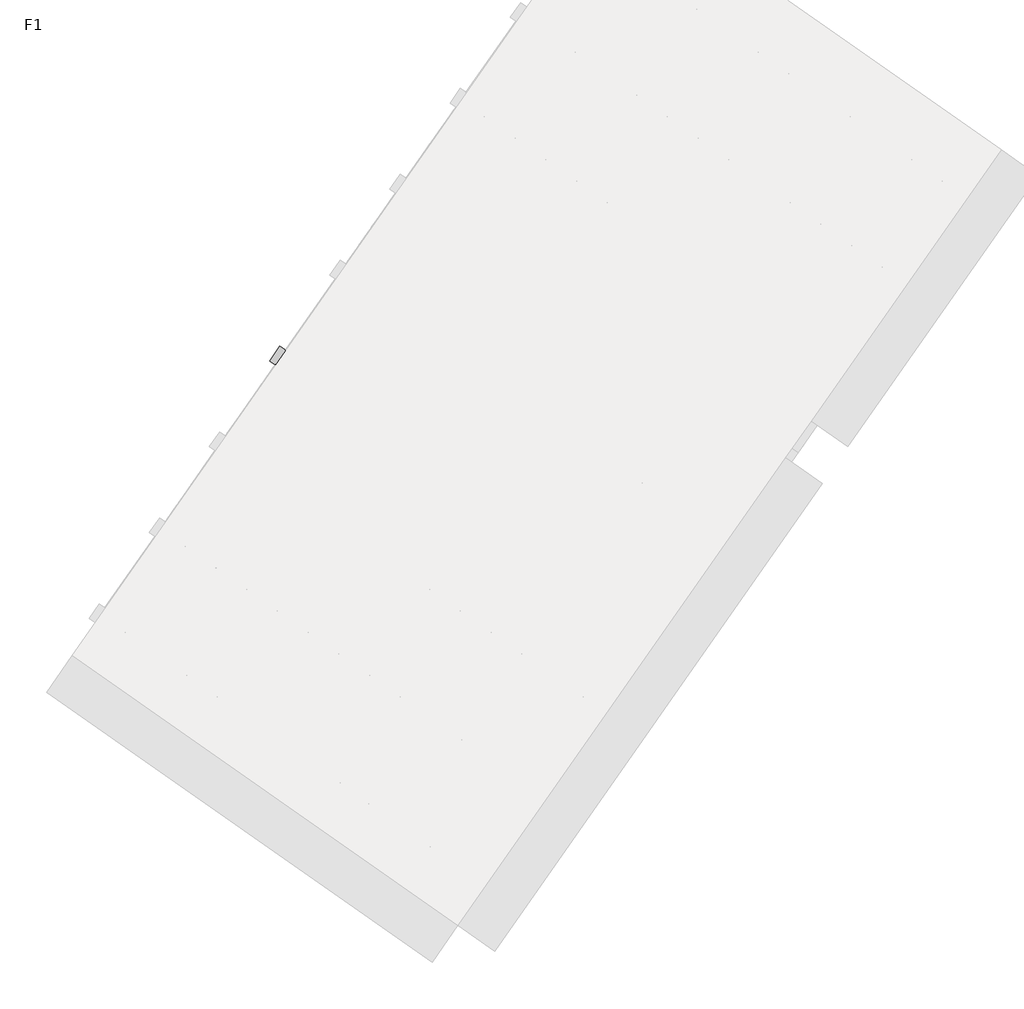
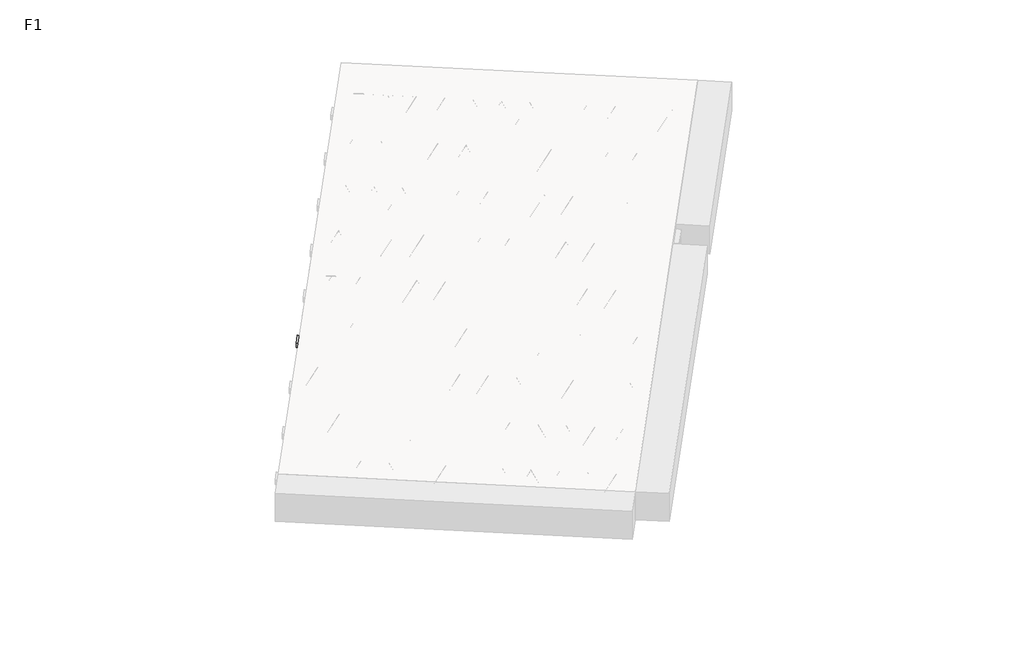
# One storey, part 6 of 30: 2 beams.
"""IFC4 building model written with IfcOpenShell, lengths in millimetres."""

from ifc_helpers import new_model, si_unit, point, frame, origin, origin_2d, place, context, project, spatial, polyline, circle_curve, trimmed, segment, composite_curve, outline, extrude, element, save

model = new_model("IFC4")

# Units and contexts
model_context = context("Model", 3, world=origin())
ifc_project = project(units=[si_unit("LENGTHUNIT", "METRE", prefix="MILLI")], contexts=[model_context])

# Site, building, storey
site = spatial("IfcSite", under=ifc_project)
building = spatial("IfcBuilding", under=site)
storey = spatial("IfcBuildingStorey", under=building, Name="F1", Elevation=99520.0)

# Beams
placement = place(None, origin())
element("IfcBeam", 1, at=placement, inside=storey, context=model_context, shape_type="SweptSolid", body=[
    extrude(outline(polyline([(5224.011649, -2693.1359063), (5292.8408214, -2594.837661), (7946.8934448, -4453.2253149), (7878.0642725, -4551.5235602), (5224.011649, -2693.1359063)])), frame((0.0, 0.0, 99720.0), z_axis=(0.0, 0.0, 1.0), x_axis=(1.0, 0.0, 0.0)), (0.0, 0.0, 1.0), 50.0),
    extrude(outline(composite_curve([segment(trimmed(circle_curve(origin_2d(), 2.5), [point((-2.5, 0.0))], [point((2.5000001, 0.0))], False, "CARTESIAN"), True, "CONTINUOUS"), segment(trimmed(circle_curve(origin_2d(), 2.5), [point((2.5000001, 0.0))], [point((-2.5, 0.0))], False, "CARTESIAN"), True, "CONTINUOUS")], self_intersect=False)), frame((7872.1704579, -4518.0980767, 99745.0), z_axis=(-0.8191520442696126, 0.5735764363787226, 0.0), x_axis=(0.5735764363787226, 0.8191520442696126, 0.0)), (0.0, 0.0, 1.0), 3192.0),
    extrude(outline(composite_curve([segment(trimmed(circle_curve(origin_2d(), 2.5), [point((-2.5, 0.0))], [point((2.5, 0.0))], False, "CARTESIAN"), True, "CONTINUOUS"), segment(trimmed(circle_curve(origin_2d(), 2.5), [point((2.5, 0.0))], [point((-2.5, 0.0))], False, "CARTESIAN"), True, "CONTINUOUS")], self_intersect=False)), frame((7752.74421, -4390.5270324, 99970.0), z_axis=(-0.8191520442696126, 0.5735764363787226, 0.0), x_axis=(0.5735764363787226, 0.8191520442696126, 0.0)), (0.0, 0.0, 1.0), 2850.0),
    extrude(outline(composite_curve([segment(trimmed(circle_curve(origin_2d(), 2.5), [point((-2.5, 0.0))], [point((2.5000001, 0.0))], False, "CARTESIAN"), True, "CONTINUOUS"), segment(trimmed(circle_curve(origin_2d(), 2.5), [point((2.5000001, 0.0))], [point((-2.5, 0.0))], False, "CARTESIAN"), True, "CONTINUOUS")], self_intersect=False)), frame((7793.5318616, -4463.0347388, 99745.0), z_axis=(-0.3145304735701046, 0.38933448886848654, 0.8657304643902053), x_axis=(0.7778747638402499, 0.6284193279813057, 0.0)), (0.0, 0.0, 1.0), 259.8961331),
    extrude(outline(composite_curve([segment(trimmed(circle_curve(origin_2d(), 2.5), [point((2.5, 0.0))], [point((-2.5, 0.0))], False, "CARTESIAN"), True, "CONTINUOUS"), segment(trimmed(circle_curve(origin_2d(), 2.5), [point((-2.5, 0.0))], [point((2.5, 0.0))], False, "CARTESIAN"), True, "CONTINUOUS")], self_intersect=False)), frame((7588.7438506, -4319.6406297, 99745.0), z_axis=(0.47343050384693375, -0.16240172737369005, 0.8657304643902051), x_axis=(-0.3244721671091268, -0.9458952440791246, 0.0)), (0.0, 0.0, 1.0), 259.8961331),
    extrude(outline(composite_curve([segment(trimmed(circle_curve(origin_2d(), 2.5), [point((-2.5, 0.0))], [point((2.5, 1e-07))], False, "CARTESIAN"), True, "CONTINUOUS"), segment(trimmed(circle_curve(origin_2d(), 2.5), [point((2.5, 1e-07))], [point((-2.5, 0.0))], False, "CARTESIAN"), True, "CONTINUOUS")], self_intersect=False)), frame((7588.7438506, -4319.6406297, 99745.0), z_axis=(-0.3145304735701046, 0.38933448886848654, 0.8657304643902053), x_axis=(0.7778747638402499, 0.6284193279813057, 0.0)), (0.0, 0.0, 1.0), 259.8961331),
    extrude(outline(composite_curve([segment(trimmed(circle_curve(origin_2d(), 2.5), [point((2.5, 0.0))], [point((-2.5, 0.0))], False, "CARTESIAN"), True, "CONTINUOUS"), segment(trimmed(circle_curve(origin_2d(), 2.5), [point((-2.5, 0.0))], [point((2.5, 0.0))], False, "CARTESIAN"), True, "CONTINUOUS")], self_intersect=False)), frame((7383.9558395, -4176.2465206, 99745.0), z_axis=(0.47343050384693375, -0.16240172737369005, 0.8657304643902051), x_axis=(-0.3244721671091268, -0.9458952440791246, 0.0)), (0.0, 0.0, 1.0), 259.8961331),
    extrude(outline(composite_curve([segment(trimmed(circle_curve(origin_2d(), 2.5), [point((-2.5, 0.0))], [point((2.5, 0.0))], False, "CARTESIAN"), True, "CONTINUOUS"), segment(trimmed(circle_curve(origin_2d(), 2.5), [point((2.5, 0.0))], [point((-2.5, 0.0))], False, "CARTESIAN"), True, "CONTINUOUS")], self_intersect=False)), frame((7383.9558395, -4176.2465206, 99745.0), z_axis=(-0.3145304735701046, 0.38933448886848654, 0.8657304643902053), x_axis=(0.7778747638402499, 0.6284193279813057, 0.0)), (0.0, 0.0, 1.0), 259.8961331),
    extrude(outline(composite_curve([segment(trimmed(circle_curve(origin_2d(), 2.5), [point((2.5, 0.0))], [point((-2.5, 1e-07))], False, "CARTESIAN"), True, "CONTINUOUS"), segment(trimmed(circle_curve(origin_2d(), 2.5), [point((-2.5, 1e-07))], [point((2.5, 0.0))], False, "CARTESIAN"), True, "CONTINUOUS")], self_intersect=False)), frame((7179.1678284, -4032.8524115, 99745.0), z_axis=(0.47343050384693375, -0.16240172737369005, 0.8657304643902051), x_axis=(-0.3244721671091268, -0.9458952440791246, 0.0)), (0.0, 0.0, 1.0), 259.8961331),
    extrude(outline(composite_curve([segment(trimmed(circle_curve(origin_2d(), 2.5), [point((-2.5, 0.0))], [point((2.5, 0.0))], False, "CARTESIAN"), True, "CONTINUOUS"), segment(trimmed(circle_curve(origin_2d(), 2.5), [point((2.5, 0.0))], [point((-2.5, 0.0))], False, "CARTESIAN"), True, "CONTINUOUS")], self_intersect=False)), frame((7179.1678284, -4032.8524115, 99745.0), z_axis=(-0.3145304735701046, 0.38933448886848654, 0.8657304643902053), x_axis=(0.7778747638402499, 0.6284193279813057, 0.0)), (0.0, 0.0, 1.0), 259.8961331),
    extrude(outline(composite_curve([segment(trimmed(circle_curve(origin_2d(), 2.5), [point((2.5, 0.0))], [point((-2.5, 0.0))], False, "CARTESIAN"), True, "CONTINUOUS"), segment(trimmed(circle_curve(origin_2d(), 2.5), [point((-2.5, 0.0))], [point((2.5, 0.0))], False, "CARTESIAN"), True, "CONTINUOUS")], self_intersect=False)), frame((6974.3798174, -3889.4583024, 99745.0), z_axis=(0.47343050384693375, -0.16240172737369005, 0.8657304643902051), x_axis=(-0.3244721671091268, -0.9458952440791246, 0.0)), (0.0, 0.0, 1.0), 259.8961331),
    extrude(outline(composite_curve([segment(trimmed(circle_curve(origin_2d(), 2.5), [point((-2.5, 0.0))], [point((2.5, 0.0))], False, "CARTESIAN"), True, "CONTINUOUS"), segment(trimmed(circle_curve(origin_2d(), 2.5), [point((2.5, 0.0))], [point((-2.5, 0.0))], False, "CARTESIAN"), True, "CONTINUOUS")], self_intersect=False)), frame((6974.3798174, -3889.4583024, 99745.0), z_axis=(-0.3145304735701046, 0.38933448886848654, 0.8657304643902053), x_axis=(0.7778747638402499, 0.6284193279813057, 0.0)), (0.0, 0.0, 1.0), 259.8961331),
    extrude(outline(composite_curve([segment(trimmed(circle_curve(origin_2d(), 2.5), [point((2.5, 0.0))], [point((-2.5, 0.0))], False, "CARTESIAN"), True, "CONTINUOUS"), segment(trimmed(circle_curve(origin_2d(), 2.5), [point((-2.5, 0.0))], [point((2.5, 0.0))], False, "CARTESIAN"), True, "CONTINUOUS")], self_intersect=False)), frame((6769.5918063, -3746.0641933, 99745.0), z_axis=(0.47343050384693375, -0.16240172737369005, 0.8657304643902051), x_axis=(-0.3244721671091268, -0.9458952440791246, 0.0)), (0.0, 0.0, 1.0), 259.8961331),
    extrude(outline(composite_curve([segment(trimmed(circle_curve(origin_2d(), 2.5), [point((-2.5, 0.0))], [point((2.5, 0.0))], False, "CARTESIAN"), True, "CONTINUOUS"), segment(trimmed(circle_curve(origin_2d(), 2.5), [point((2.5, 0.0))], [point((-2.5, 0.0))], False, "CARTESIAN"), True, "CONTINUOUS")], self_intersect=False)), frame((6769.5918063, -3746.0641933, 99745.0), z_axis=(-0.3145304735701046, 0.38933448886848654, 0.8657304643902053), x_axis=(0.7778747638402499, 0.6284193279813057, 0.0)), (0.0, 0.0, 1.0), 259.8961331),
    extrude(outline(composite_curve([segment(trimmed(circle_curve(origin_2d(), 2.5), [point((2.5, 0.0))], [point((-2.5, 1e-07))], False, "CARTESIAN"), True, "CONTINUOUS"), segment(trimmed(circle_curve(origin_2d(), 2.5), [point((-2.5, 1e-07))], [point((2.5, 0.0))], False, "CARTESIAN"), True, "CONTINUOUS")], self_intersect=False)), frame((6564.8037952, -3602.6700842, 99745.0), z_axis=(0.47343050384693375, -0.16240172737369005, 0.8657304643902051), x_axis=(-0.3244721671091268, -0.9458952440791246, 0.0)), (0.0, 0.0, 1.0), 259.8961331),
    extrude(outline(composite_curve([segment(trimmed(circle_curve(origin_2d(), 2.5), [point((-2.5, 0.0))], [point((2.5, 0.0))], False, "CARTESIAN"), True, "CONTINUOUS"), segment(trimmed(circle_curve(origin_2d(), 2.5), [point((2.5, 0.0))], [point((-2.5, 0.0))], False, "CARTESIAN"), True, "CONTINUOUS")], self_intersect=False)), frame((6564.8037952, -3602.6700842, 99745.0), z_axis=(-0.3145304735701046, 0.38933448886848654, 0.8657304643902053), x_axis=(0.7778747638402499, 0.6284193279813057, 0.0)), (0.0, 0.0, 1.0), 259.8961331),
    extrude(outline(composite_curve([segment(trimmed(circle_curve(origin_2d(), 2.5), [point((2.5, 0.0))], [point((-2.5, 0.0))], False, "CARTESIAN"), True, "CONTINUOUS"), segment(trimmed(circle_curve(origin_2d(), 2.5), [point((-2.5, 0.0))], [point((2.5, 0.0))], False, "CARTESIAN"), True, "CONTINUOUS")], self_intersect=False)), frame((6360.0157842, -3459.2759751, 99745.0), z_axis=(0.47343050384693375, -0.16240172737369005, 0.8657304643902051), x_axis=(-0.3244721671091268, -0.9458952440791246, 0.0)), (0.0, 0.0, 1.0), 259.8961331),
    extrude(outline(composite_curve([segment(trimmed(circle_curve(origin_2d(), 2.5), [point((-2.5, 0.0))], [point((2.5, 0.0))], False, "CARTESIAN"), True, "CONTINUOUS"), segment(trimmed(circle_curve(origin_2d(), 2.5), [point((2.5, 0.0))], [point((-2.5, 0.0))], False, "CARTESIAN"), True, "CONTINUOUS")], self_intersect=False)), frame((6360.0157842, -3459.2759751, 99745.0), z_axis=(-0.3145304735701046, 0.38933448886848654, 0.8657304643902053), x_axis=(0.7778747638402499, 0.6284193279813057, 0.0)), (0.0, 0.0, 1.0), 259.8961331),
    extrude(outline(composite_curve([segment(trimmed(circle_curve(origin_2d(), 2.5), [point((2.5, 0.0))], [point((-2.5, 0.0))], False, "CARTESIAN"), True, "CONTINUOUS"), segment(trimmed(circle_curve(origin_2d(), 2.5), [point((-2.5, 0.0))], [point((2.5, 0.0))], False, "CARTESIAN"), True, "CONTINUOUS")], self_intersect=False)), frame((6155.2277731, -3315.881866, 99745.0), z_axis=(0.47343050384693375, -0.16240172737369005, 0.8657304643902051), x_axis=(-0.3244721671091268, -0.9458952440791246, 0.0)), (0.0, 0.0, 1.0), 259.8961331),
    extrude(outline(composite_curve([segment(trimmed(circle_curve(origin_2d(), 2.5), [point((-2.5, 0.0))], [point((2.5, 0.0))], False, "CARTESIAN"), True, "CONTINUOUS"), segment(trimmed(circle_curve(origin_2d(), 2.5), [point((2.5, 0.0))], [point((-2.5, 0.0))], False, "CARTESIAN"), True, "CONTINUOUS")], self_intersect=False)), frame((6155.2277731, -3315.881866, 99745.0), z_axis=(-0.3145304735701046, 0.38933448886848654, 0.8657304643902053), x_axis=(0.7778747638402499, 0.6284193279813057, 0.0)), (0.0, 0.0, 1.0), 259.8961331),
    extrude(outline(composite_curve([segment(trimmed(circle_curve(origin_2d(), 2.5), [point((2.5, 0.0))], [point((-2.5, 1e-07))], False, "CARTESIAN"), True, "CONTINUOUS"), segment(trimmed(circle_curve(origin_2d(), 2.5), [point((-2.5, 1e-07))], [point((2.5, 0.0))], False, "CARTESIAN"), True, "CONTINUOUS")], self_intersect=False)), frame((5950.439762, -3172.4877569, 99745.0), z_axis=(0.47343050384693375, -0.16240172737369005, 0.8657304643902051), x_axis=(-0.3244721671091268, -0.9458952440791246, 0.0)), (0.0, 0.0, 1.0), 259.8961331),
    extrude(outline(composite_curve([segment(trimmed(circle_curve(origin_2d(), 2.5), [point((-2.5, 0.0))], [point((2.5, 0.0))], False, "CARTESIAN"), True, "CONTINUOUS"), segment(trimmed(circle_curve(origin_2d(), 2.5), [point((2.5, 0.0))], [point((-2.5, 0.0))], False, "CARTESIAN"), True, "CONTINUOUS")], self_intersect=False)), frame((5950.439762, -3172.4877569, 99745.0), z_axis=(-0.3145304735701046, 0.38933448886848654, 0.8657304643902053), x_axis=(0.7778747638402499, 0.6284193279813057, 0.0)), (0.0, 0.0, 1.0), 259.8961331),
    extrude(outline(composite_curve([segment(trimmed(circle_curve(origin_2d(), 2.5), [point((2.5, 0.0))], [point((-2.5, 0.0))], False, "CARTESIAN"), True, "CONTINUOUS"), segment(trimmed(circle_curve(origin_2d(), 2.5), [point((-2.5, 0.0))], [point((2.5, 0.0))], False, "CARTESIAN"), True, "CONTINUOUS")], self_intersect=False)), frame((5745.651751, -3029.0936478, 99745.0), z_axis=(0.47343050384693375, -0.16240172737369005, 0.8657304643902051), x_axis=(-0.3244721671091268, -0.9458952440791246, 0.0)), (0.0, 0.0, 1.0), 259.8961331),
    extrude(outline(composite_curve([segment(trimmed(circle_curve(origin_2d(), 2.5), [point((-2.5, 0.0))], [point((2.5, 0.0))], False, "CARTESIAN"), True, "CONTINUOUS"), segment(trimmed(circle_curve(origin_2d(), 2.5), [point((2.5, 0.0))], [point((-2.5, 0.0))], False, "CARTESIAN"), True, "CONTINUOUS")], self_intersect=False)), frame((5745.651751, -3029.0936478, 99745.0), z_axis=(-0.3145304735701046, 0.38933448886848654, 0.8657304643902053), x_axis=(0.7778747638402499, 0.6284193279813057, 0.0)), (0.0, 0.0, 1.0), 259.8961331),
    extrude(outline(composite_curve([segment(trimmed(circle_curve(origin_2d(), 2.5), [point((2.5, 0.0))], [point((-2.5, 0.0))], False, "CARTESIAN"), True, "CONTINUOUS"), segment(trimmed(circle_curve(origin_2d(), 2.5), [point((-2.5, 0.0))], [point((2.5, 0.0))], False, "CARTESIAN"), True, "CONTINUOUS")], self_intersect=False)), frame((5540.8637399, -2885.6995387, 99745.0), z_axis=(0.47343050384693375, -0.16240172737369005, 0.8657304643902051), x_axis=(-0.3244721671091268, -0.9458952440791246, 0.0)), (0.0, 0.0, 1.0), 259.8961331),
    extrude(outline(composite_curve([segment(trimmed(circle_curve(origin_2d(), 2.5), [point((-2.5, 0.0))], [point((2.5, 0.0))], False, "CARTESIAN"), True, "CONTINUOUS"), segment(trimmed(circle_curve(origin_2d(), 2.5), [point((2.5, 0.0))], [point((-2.5, 0.0))], False, "CARTESIAN"), True, "CONTINUOUS")], self_intersect=False)), frame((5540.8637399, -2885.6995387, 99745.0), z_axis=(-0.3145304735701046, 0.38933448886848654, 0.8657304643902053), x_axis=(0.7778747638402499, 0.6284193279813057, 0.0)), (0.0, 0.0, 1.0), 259.8961331),
    extrude(outline(composite_curve([segment(trimmed(circle_curve(origin_2d(), 2.5), [point((2.5, 0.0))], [point((-2.5, 1e-07))], False, "CARTESIAN"), True, "CONTINUOUS"), segment(trimmed(circle_curve(origin_2d(), 2.5), [point((-2.5, 1e-07))], [point((2.5, 0.0))], False, "CARTESIAN"), True, "CONTINUOUS")], self_intersect=False)), frame((5336.0757288, -2742.3054296, 99745.0), z_axis=(0.47343050384693375, -0.16240172737369005, 0.8657304643902051), x_axis=(-0.3244721671091268, -0.9458952440791246, 0.0)), (0.0, 0.0, 1.0), 259.8961331),
    extrude(outline(composite_curve([segment(trimmed(circle_curve(origin_2d(), 2.5), [point((-2.5, 0.0))], [point((2.5, 0.0))], False, "CARTESIAN"), True, "CONTINUOUS"), segment(trimmed(circle_curve(origin_2d(), 2.5), [point((2.5, 0.0))], [point((-2.5, 0.0))], False, "CARTESIAN"), True, "CONTINUOUS")], self_intersect=False)), frame((7913.4679613, -4459.1191295, 99745.0), z_axis=(-0.8191520442696126, 0.5735764363787226, 0.0), x_axis=(0.5735764363787226, 0.8191520442696126, 0.0)), (0.0, 0.0, 1.0), 3192.0),
    extrude(outline(composite_curve([segment(trimmed(circle_curve(origin_2d(), 2.5), [point((-2.5, 1e-07))], [point((2.5, 0.0))], False, "CARTESIAN"), True, "CONTINUOUS"), segment(trimmed(circle_curve(origin_2d(), 2.5), [point((2.5, 0.0))], [point((-2.5, 1e-07))], False, "CARTESIAN"), True, "CONTINUOUS")], self_intersect=False)), frame((7834.8293651, -4404.0557916, 99745.0), z_axis=(-0.47343050384693375, 0.16240172737369005, 0.8657304643902051), x_axis=(0.3244721671091268, 0.9458952440791246, 0.0)), (0.0, 0.0, 1.0), 259.8961331),
    extrude(outline(composite_curve([segment(trimmed(circle_curve(origin_2d(), 2.5), [point((2.5, 0.0))], [point((-2.5, 0.0))], False, "CARTESIAN"), True, "CONTINUOUS"), segment(trimmed(circle_curve(origin_2d(), 2.5), [point((-2.5, 0.0))], [point((2.5, 0.0))], False, "CARTESIAN"), True, "CONTINUOUS")], self_intersect=False)), frame((7630.041354, -4260.6616825, 99745.0), z_axis=(0.3145304735701046, -0.38933448886848654, 0.8657304643902053), x_axis=(-0.7778747638402499, -0.6284193279813057, 0.0)), (0.0, 0.0, 1.0), 259.8961331),
    extrude(outline(composite_curve([segment(trimmed(circle_curve(origin_2d(), 2.5), [point((-2.5, 0.0))], [point((2.5, 0.0))], False, "CARTESIAN"), True, "CONTINUOUS"), segment(trimmed(circle_curve(origin_2d(), 2.5), [point((2.5, 0.0))], [point((-2.5, 0.0))], False, "CARTESIAN"), True, "CONTINUOUS")], self_intersect=False)), frame((7630.041354, -4260.6616825, 99745.0), z_axis=(-0.47343050384693375, 0.16240172737369005, 0.8657304643902051), x_axis=(0.3244721671091268, 0.9458952440791246, 0.0)), (0.0, 0.0, 1.0), 259.8961331),
    extrude(outline(composite_curve([segment(trimmed(circle_curve(origin_2d(), 2.5), [point((2.5, 0.0))], [point((-2.5, 0.0))], False, "CARTESIAN"), True, "CONTINUOUS"), segment(trimmed(circle_curve(origin_2d(), 2.5), [point((-2.5, 0.0))], [point((2.5, 0.0))], False, "CARTESIAN"), True, "CONTINUOUS")], self_intersect=False)), frame((7425.2533429, -4117.2675734, 99745.0), z_axis=(0.3145304735701046, -0.38933448886848654, 0.8657304643902053), x_axis=(-0.7778747638402499, -0.6284193279813057, 0.0)), (0.0, 0.0, 1.0), 259.8961331),
    extrude(outline(composite_curve([segment(trimmed(circle_curve(origin_2d(), 2.5), [point((-2.5, 0.0))], [point((2.5, 0.0))], False, "CARTESIAN"), True, "CONTINUOUS"), segment(trimmed(circle_curve(origin_2d(), 2.5), [point((2.5, 0.0))], [point((-2.5, 0.0))], False, "CARTESIAN"), True, "CONTINUOUS")], self_intersect=False)), frame((7425.2533429, -4117.2675734, 99745.0), z_axis=(-0.47343050384693375, 0.16240172737369005, 0.8657304643902051), x_axis=(0.3244721671091268, 0.9458952440791246, 0.0)), (0.0, 0.0, 1.0), 259.8961331),
    extrude(outline(composite_curve([segment(trimmed(circle_curve(origin_2d(), 2.5), [point((2.5000001, -1e-07))], [point((-2.5, 0.0))], False, "CARTESIAN"), True, "CONTINUOUS"), segment(trimmed(circle_curve(origin_2d(), 2.5), [point((-2.5, 0.0))], [point((2.5000001, -1e-07))], False, "CARTESIAN"), True, "CONTINUOUS")], self_intersect=False)), frame((7220.4653319, -3973.8734643, 99745.0), z_axis=(0.3145304735701046, -0.38933448886848654, 0.8657304643902053), x_axis=(-0.7778747638402499, -0.6284193279813057, 0.0)), (0.0, 0.0, 1.0), 259.8961331),
    extrude(outline(composite_curve([segment(trimmed(circle_curve(origin_2d(), 2.5), [point((-2.5, 1e-07))], [point((2.5, 0.0))], False, "CARTESIAN"), True, "CONTINUOUS"), segment(trimmed(circle_curve(origin_2d(), 2.5), [point((2.5, 0.0))], [point((-2.5, 1e-07))], False, "CARTESIAN"), True, "CONTINUOUS")], self_intersect=False)), frame((7220.4653319, -3973.8734643, 99745.0), z_axis=(-0.47343050384693375, 0.16240172737369005, 0.8657304643902051), x_axis=(0.3244721671091268, 0.9458952440791246, 0.0)), (0.0, 0.0, 1.0), 259.8961331),
    extrude(outline(composite_curve([segment(trimmed(circle_curve(origin_2d(), 2.5), [point((2.5, 0.0))], [point((-2.5, 0.0))], False, "CARTESIAN"), True, "CONTINUOUS"), segment(trimmed(circle_curve(origin_2d(), 2.5), [point((-2.5, 0.0))], [point((2.5, 0.0))], False, "CARTESIAN"), True, "CONTINUOUS")], self_intersect=False)), frame((7015.6773208, -3830.4793552, 99745.0), z_axis=(0.3145304735701046, -0.38933448886848654, 0.8657304643902053), x_axis=(-0.7778747638402499, -0.6284193279813057, 0.0)), (0.0, 0.0, 1.0), 259.8961331),
    extrude(outline(composite_curve([segment(trimmed(circle_curve(origin_2d(), 2.5), [point((-2.5, 0.0))], [point((2.5, 0.0))], False, "CARTESIAN"), True, "CONTINUOUS"), segment(trimmed(circle_curve(origin_2d(), 2.5), [point((2.5, 0.0))], [point((-2.5, 0.0))], False, "CARTESIAN"), True, "CONTINUOUS")], self_intersect=False)), frame((7015.6773208, -3830.4793552, 99745.0), z_axis=(-0.47343050384693375, 0.16240172737369005, 0.8657304643902051), x_axis=(0.3244721671091268, 0.9458952440791246, 0.0)), (0.0, 0.0, 1.0), 259.8961331),
    extrude(outline(composite_curve([segment(trimmed(circle_curve(origin_2d(), 2.5), [point((2.5, 0.0))], [point((-2.5, 0.0))], False, "CARTESIAN"), True, "CONTINUOUS"), segment(trimmed(circle_curve(origin_2d(), 2.5), [point((-2.5, 0.0))], [point((2.5, 0.0))], False, "CARTESIAN"), True, "CONTINUOUS")], self_intersect=False)), frame((6810.8893097, -3687.0852461, 99745.0), z_axis=(0.3145304735701046, -0.38933448886848654, 0.8657304643902053), x_axis=(-0.7778747638402499, -0.6284193279813057, 0.0)), (0.0, 0.0, 1.0), 259.8961331),
    extrude(outline(composite_curve([segment(trimmed(circle_curve(origin_2d(), 2.5), [point((-2.5, 0.0))], [point((2.5, 0.0))], False, "CARTESIAN"), True, "CONTINUOUS"), segment(trimmed(circle_curve(origin_2d(), 2.5), [point((2.5, 0.0))], [point((-2.5, 0.0))], False, "CARTESIAN"), True, "CONTINUOUS")], self_intersect=False)), frame((6810.8893097, -3687.0852461, 99745.0), z_axis=(-0.47343050384693375, 0.16240172737369005, 0.8657304643902051), x_axis=(0.3244721671091268, 0.9458952440791246, 0.0)), (0.0, 0.0, 1.0), 259.8961331),
    extrude(outline(composite_curve([segment(trimmed(circle_curve(origin_2d(), 2.5), [point((2.5000001, -1e-07))], [point((-2.5, 0.0))], False, "CARTESIAN"), True, "CONTINUOUS"), segment(trimmed(circle_curve(origin_2d(), 2.5), [point((-2.5, 0.0))], [point((2.5000001, -1e-07))], False, "CARTESIAN"), True, "CONTINUOUS")], self_intersect=False)), frame((6606.1012987, -3543.691137, 99745.0), z_axis=(0.3145304735701046, -0.38933448886848654, 0.8657304643902053), x_axis=(-0.7778747638402499, -0.6284193279813057, 0.0)), (0.0, 0.0, 1.0), 259.8961331),
    extrude(outline(composite_curve([segment(trimmed(circle_curve(origin_2d(), 2.5), [point((-2.5, 1e-07))], [point((2.5, 0.0))], False, "CARTESIAN"), True, "CONTINUOUS"), segment(trimmed(circle_curve(origin_2d(), 2.5), [point((2.5, 0.0))], [point((-2.5, 1e-07))], False, "CARTESIAN"), True, "CONTINUOUS")], self_intersect=False)), frame((6606.1012987, -3543.691137, 99745.0), z_axis=(-0.47343050384693375, 0.16240172737369005, 0.8657304643902051), x_axis=(0.3244721671091268, 0.9458952440791246, 0.0)), (0.0, 0.0, 1.0), 259.8961331),
    extrude(outline(composite_curve([segment(trimmed(circle_curve(origin_2d(), 2.5), [point((2.5, 0.0))], [point((-2.5, 0.0))], False, "CARTESIAN"), True, "CONTINUOUS"), segment(trimmed(circle_curve(origin_2d(), 2.5), [point((-2.5, 0.0))], [point((2.5, 0.0))], False, "CARTESIAN"), True, "CONTINUOUS")], self_intersect=False)), frame((6401.3132876, -3400.2970279, 99745.0), z_axis=(0.3145304735701046, -0.38933448886848654, 0.8657304643902053), x_axis=(-0.7778747638402499, -0.6284193279813057, 0.0)), (0.0, 0.0, 1.0), 259.8961331),
    extrude(outline(composite_curve([segment(trimmed(circle_curve(origin_2d(), 2.5), [point((-2.5, 0.0))], [point((2.5, 0.0))], False, "CARTESIAN"), True, "CONTINUOUS"), segment(trimmed(circle_curve(origin_2d(), 2.5), [point((2.5, 0.0))], [point((-2.5, 0.0))], False, "CARTESIAN"), True, "CONTINUOUS")], self_intersect=False)), frame((6401.3132876, -3400.2970279, 99745.0), z_axis=(-0.47343050384693375, 0.16240172737369005, 0.8657304643902051), x_axis=(0.3244721671091268, 0.9458952440791246, 0.0)), (0.0, 0.0, 1.0), 259.8961331),
    extrude(outline(composite_curve([segment(trimmed(circle_curve(origin_2d(), 2.5), [point((2.5, 0.0))], [point((-2.5, 0.0))], False, "CARTESIAN"), True, "CONTINUOUS"), segment(trimmed(circle_curve(origin_2d(), 2.5), [point((-2.5, 0.0))], [point((2.5, 0.0))], False, "CARTESIAN"), True, "CONTINUOUS")], self_intersect=False)), frame((6196.5252765, -3256.9029188, 99745.0), z_axis=(0.3145304735701046, -0.38933448886848654, 0.8657304643902053), x_axis=(-0.7778747638402499, -0.6284193279813057, 0.0)), (0.0, 0.0, 1.0), 259.8961331),
    extrude(outline(composite_curve([segment(trimmed(circle_curve(origin_2d(), 2.5), [point((-2.5, 0.0))], [point((2.5, 0.0))], False, "CARTESIAN"), True, "CONTINUOUS"), segment(trimmed(circle_curve(origin_2d(), 2.5), [point((2.5, 0.0))], [point((-2.5, 0.0))], False, "CARTESIAN"), True, "CONTINUOUS")], self_intersect=False)), frame((6196.5252765, -3256.9029188, 99745.0), z_axis=(-0.47343050384693375, 0.16240172737369005, 0.8657304643902051), x_axis=(0.3244721671091268, 0.9458952440791246, 0.0)), (0.0, 0.0, 1.0), 259.8961331),
    extrude(outline(composite_curve([segment(trimmed(circle_curve(origin_2d(), 2.5), [point((2.5000001, -1e-07))], [point((-2.5, 0.0))], False, "CARTESIAN"), True, "CONTINUOUS"), segment(trimmed(circle_curve(origin_2d(), 2.5), [point((-2.5, 0.0))], [point((2.5000001, -1e-07))], False, "CARTESIAN"), True, "CONTINUOUS")], self_intersect=False)), frame((5991.7372655, -3113.5088097, 99745.0), z_axis=(0.3145304735701046, -0.38933448886848654, 0.8657304643902053), x_axis=(-0.7778747638402499, -0.6284193279813057, 0.0)), (0.0, 0.0, 1.0), 259.8961331),
    extrude(outline(composite_curve([segment(trimmed(circle_curve(origin_2d(), 2.5), [point((-2.5, 1e-07))], [point((2.5, 0.0))], False, "CARTESIAN"), True, "CONTINUOUS"), segment(trimmed(circle_curve(origin_2d(), 2.5), [point((2.5, 0.0))], [point((-2.5, 1e-07))], False, "CARTESIAN"), True, "CONTINUOUS")], self_intersect=False)), frame((5991.7372655, -3113.5088097, 99745.0), z_axis=(-0.47343050384693375, 0.16240172737369005, 0.8657304643902051), x_axis=(0.3244721671091268, 0.9458952440791246, 0.0)), (0.0, 0.0, 1.0), 259.8961331),
    extrude(outline(composite_curve([segment(trimmed(circle_curve(origin_2d(), 2.5), [point((2.5, 0.0))], [point((-2.5, 0.0))], False, "CARTESIAN"), True, "CONTINUOUS"), segment(trimmed(circle_curve(origin_2d(), 2.5), [point((-2.5, 0.0))], [point((2.5, 0.0))], False, "CARTESIAN"), True, "CONTINUOUS")], self_intersect=False)), frame((5786.9492544, -2970.1147006, 99745.0), z_axis=(0.3145304735701046, -0.38933448886848654, 0.8657304643902053), x_axis=(-0.7778747638402499, -0.6284193279813057, 0.0)), (0.0, 0.0, 1.0), 259.8961331),
    extrude(outline(composite_curve([segment(trimmed(circle_curve(origin_2d(), 2.5), [point((-2.5, 0.0))], [point((2.5, 0.0))], False, "CARTESIAN"), True, "CONTINUOUS"), segment(trimmed(circle_curve(origin_2d(), 2.5), [point((2.5, 0.0))], [point((-2.5, 0.0))], False, "CARTESIAN"), True, "CONTINUOUS")], self_intersect=False)), frame((5786.9492544, -2970.1147006, 99745.0), z_axis=(-0.47343050384693375, 0.16240172737369005, 0.8657304643902051), x_axis=(0.3244721671091268, 0.9458952440791246, 0.0)), (0.0, 0.0, 1.0), 259.8961331),
    extrude(outline(composite_curve([segment(trimmed(circle_curve(origin_2d(), 2.5), [point((2.5, 1e-07))], [point((-2.5, 0.0))], False, "CARTESIAN"), True, "CONTINUOUS"), segment(trimmed(circle_curve(origin_2d(), 2.5), [point((-2.5, 0.0))], [point((2.5, 1e-07))], False, "CARTESIAN"), True, "CONTINUOUS")], self_intersect=False)), frame((5582.1612433, -2826.7205915, 99745.0), z_axis=(0.3145304735701046, -0.38933448886848654, 0.8657304643902053), x_axis=(-0.7778747638402499, -0.6284193279813057, 0.0)), (0.0, 0.0, 1.0), 259.8961331),
    extrude(outline(composite_curve([segment(trimmed(circle_curve(origin_2d(), 2.5), [point((-2.5, 0.0))], [point((2.5, 0.0))], False, "CARTESIAN"), True, "CONTINUOUS"), segment(trimmed(circle_curve(origin_2d(), 2.5), [point((2.5, 0.0))], [point((-2.5, 0.0))], False, "CARTESIAN"), True, "CONTINUOUS")], self_intersect=False)), frame((5582.1612433, -2826.7205915, 99745.0), z_axis=(-0.47343050384693375, 0.16240172737369005, 0.8657304643902051), x_axis=(0.3244721671091268, 0.9458952440791246, 0.0)), (0.0, 0.0, 1.0), 259.8961331),
    extrude(outline(composite_curve([segment(trimmed(circle_curve(origin_2d(), 2.5), [point((2.5000001, 0.0))], [point((-2.5, 0.0))], False, "CARTESIAN"), True, "CONTINUOUS"), segment(trimmed(circle_curve(origin_2d(), 2.5), [point((-2.5, 0.0))], [point((2.5000001, 0.0))], False, "CARTESIAN"), True, "CONTINUOUS")], self_intersect=False)), frame((5377.3732323, -2683.3264824, 99745.0), z_axis=(0.3145304735701046, -0.38933448886848654, 0.8657304643902053), x_axis=(-0.7778747638402499, -0.6284193279813057, 0.0)), (0.0, 0.0, 1.0), 259.8961331),
])
element("IfcBeam", 2, at=placement, inside=storey, context=model_context, shape_type="SweptSolid", body=[
    extrude(outline(polyline([(5625.5151545, -2119.7294753), (5694.3443269, -2021.43123), (8348.3969503, -3879.8188839), (8279.5677779, -3978.1171292), (5625.5151545, -2119.7294753)])), frame((0.0, 0.0, 99720.0), z_axis=(0.0, 0.0, 1.0), x_axis=(1.0, 0.0, 0.0)), (0.0, 0.0, 1.0), 50.0),
])

save(model, "model.ifc")
